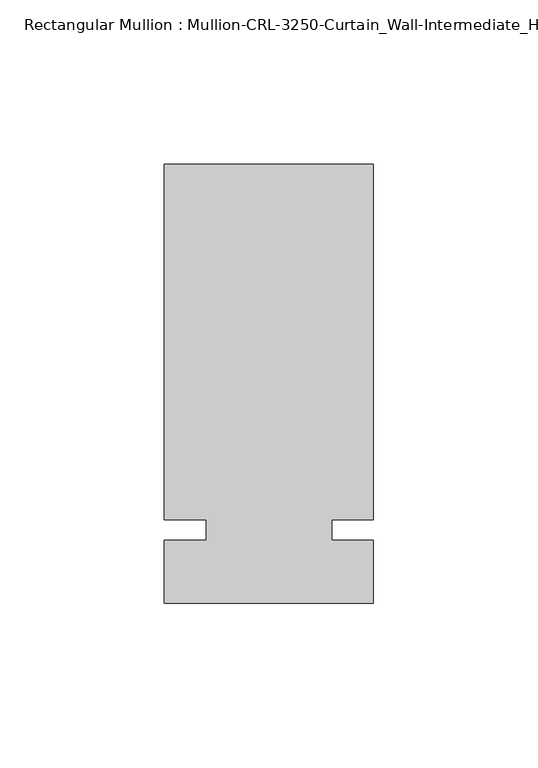
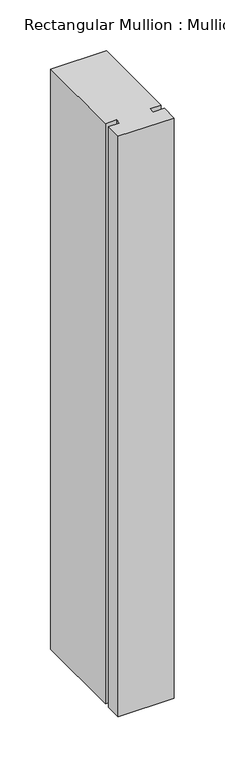
"""IFC4 building model written with IfcOpenShell, lengths in millimetres: member geometry."""

from ifc_helpers import new_model, si_unit, frame, origin, place, context, project, spatial, polyline, outline, extrude, source, transform, mapped, element, save


def member_716fc53e(model_context):
    return source(origin(), model_context, "Body", "SweptSolid", [
        extrude(outline(polyline([(31.7499985, -3.175), (31.7499985, -22.2254168), (-31.7499985, -22.2254168), (-31.7499985, -3.175), (-19.0499985, -3.175), (-19.0499985, 3.175), (-31.7499985, 3.175), (-31.7499985, 111.1245832), (31.7499985, 111.1245832), (31.7499985, 3.175), (19.0499985, 3.175), (19.0499985, -3.175), (31.7499985, -3.175)])), frame((0.0, 0.0, -698.3166731), z_axis=(0.0, 0.0, 1.0), x_axis=(1.0, 0.0, 0.0)), (0.0, 0.0, 1.0), 698.3166731),
    ])


if __name__ == "__main__":
    model = new_model("IFC4")
    model_context = context("Model", 3, world=origin())
    ifc_project = project(units=[si_unit("LENGTHUNIT", "METRE", prefix="MILLI")], contexts=[model_context])
    site = spatial("IfcSite", under=ifc_project)
    building = spatial("IfcBuilding", under=site)
    placement = place(None, origin())
    member_shape = member_716fc53e(model_context)
    element("IfcMember", 1, ObjectType="Rectangular Mullion : Mullion-CRL-3250-Curtain_Wall-Intermediate_Horizontal-4\"", at=placement, inside=building, context=model_context, shape_type="MappedRepresentation", body=[
        mapped(member_shape, transform((0.0, 0.0, 0.0), x_axis=(1.0, 0.0, 0.0), y_axis=(0.0, 1.0, 0.0), z_axis=(0.0, 0.0, 1.0))),
    ])
    save(model, "model.ifc")
